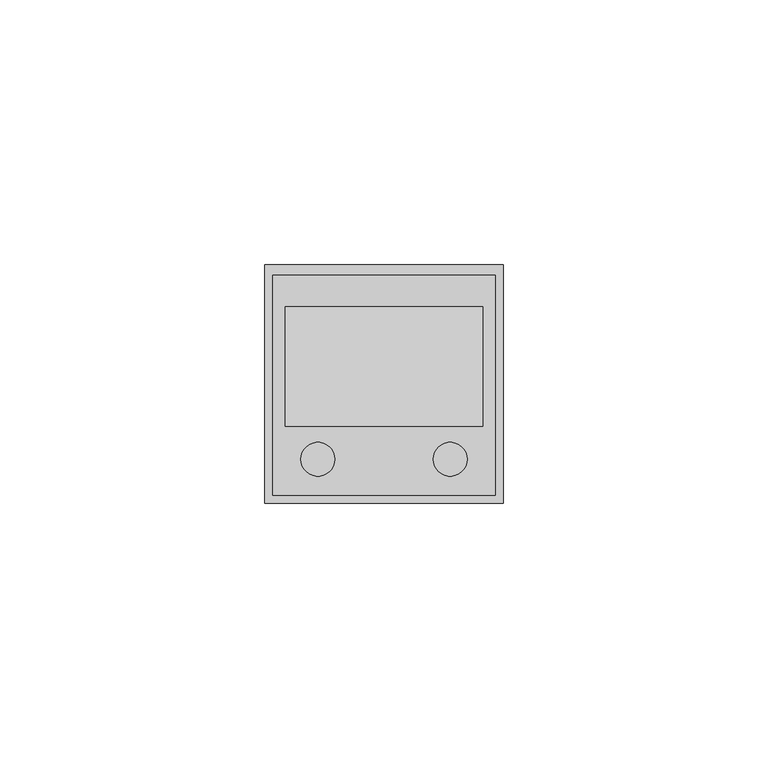
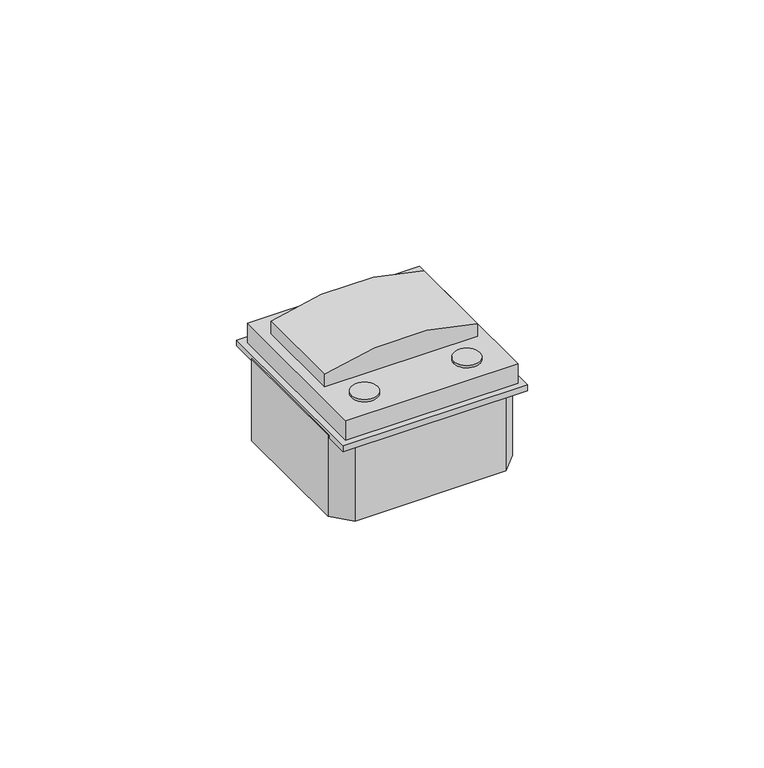
"""IFC4 building model written with IfcOpenShell, lengths in millimetres: proxy geometry."""

from ifc_helpers import new_model, si_unit, point, frame, frame_2d, origin, origin_with_axes, place, context, project, spatial, polyline, circle_curve, trimmed, segment, composite_curve, outline, extrude, source, transform, mapped, element, save


def electrical_fixtures_98c34628(model_context):
    return source(origin(), model_context, "Body", "SweptSolid", [
        extrude(outline(composite_curve([segment(trimmed(circle_curve(frame_2d((34.9989589, 8.2904451)), 3.1887621), [point((38.187721, 8.2904451))], [point((31.8101969, 8.2904451))], False, "CARTESIAN"), True, "CONTINUOUS"), segment(trimmed(circle_curve(frame_2d((34.9989589, 8.2904451)), 3.1887621), [point((31.8101969, 8.2904451))], [point((38.187721, 8.2904451))], False, "CARTESIAN"), True, "CONTINUOUS")], self_intersect=False)), frame((0.0, 0.0, 6.5625), z_axis=(0.0, 0.0, 1.0), x_axis=(1.0, 0.0, 0.0)), (0.0, 0.0, 1.0), 0.5996897),
        extrude(outline(composite_curve([segment(trimmed(circle_curve(frame_2d((10.0193645, 8.2904451)), 3.1887621), [point((6.8306025, 8.2904451))], [point((13.2081266, 8.2904451))], False, "CARTESIAN"), True, "CONTINUOUS"), segment(trimmed(circle_curve(frame_2d((10.0193645, 8.2904451)), 3.1887621), [point((13.2081266, 8.2904451))], [point((6.8306025, 8.2904451))], False, "CARTESIAN"), True, "CONTINUOUS")], self_intersect=False)), frame((0.0, 0.0, 6.5625), z_axis=(0.0, 0.0, 1.0), x_axis=(1.0, 0.0, 0.0)), (0.0, 0.0, 1.0), 0.5996897),
        extrude(outline(composite_curve([segment(polyline([(9.7831819, 3.8601293), (6.5625, 3.8601293), (6.5625, 41.1581942), (9.7920246, 41.1581942)]), True, "CONTINUOUS"), segment(trimmed(circle_curve(frame_2d((-48.1118317, 22.5228888)), 60.8287036), [point((9.7920246, 41.1581942))], [point((9.7831819, 3.8601293))], False, "CARTESIAN"), True, "CONTINUOUS")], self_intersect=False)), frame((0.0, 14.5056652, 0.0), z_axis=(0.0, 1.0, 0.0), x_axis=(0.0, 0.0, 1.0)), (0.0, 0.0, 1.0), 22.587068),
        extrude(outline(polyline([(1.5, 43.0), (43.5, 43.0), (43.5, 1.5), (1.5, 1.5), (1.5, 43.0)])), frame((0.0, 0.0, 1.5), z_axis=(0.0, 0.0, 1.0), x_axis=(1.0, 0.0, 0.0)), (0.0, 0.0, 1.0), 5.0625),
        extrude(outline(polyline([(40.9470004, 42.986037), (45.0, 38.5762696), (45.0, 6.4237304), (40.9470004, 2.013963), (4.0529996, 2.013963), (0.0, 6.4237304), (0.0, 38.5762696), (4.0529996, 42.986037), (40.9470004, 42.986037)])), frame((0.0, 0.0, -20.5252852), z_axis=(0.0, 0.0, 1.0), x_axis=(1.0, 0.0, 0.0)), (0.0, 0.0, 1.0), 21.0),
        extrude(outline(polyline([(0.0, 45.0), (45.0, 45.0), (45.0, 0.0), (0.0, 0.0), (0.0, 45.0)])), origin_with_axes(), (0.0, 0.0, 1.0), 1.5),
    ])


if __name__ == "__main__":
    model = new_model("IFC4")
    model_context = context("Model", 3, world=origin())
    ifc_project = project(units=[si_unit("LENGTHUNIT", "METRE", prefix="MILLI")], contexts=[model_context])
    site = spatial("IfcSite", under=ifc_project)
    building = spatial("IfcBuilding", under=site)
    placement = place(None, origin())
    electrical_fixtures_shape = electrical_fixtures_98c34628(model_context)
    element("IfcBuildingElementProxy", 1, Name="Electrical Fixtures", at=placement, inside=building, context=model_context, shape_type="MappedRepresentation", body=[
        mapped(electrical_fixtures_shape, transform((0.0, 0.0, 0.0), x_axis=(1.0, 0.0, 0.0), y_axis=(0.0, 1.0, 0.0), z_axis=(0.0, 0.0, 1.0))),
    ])
    save(model, "model.ifc")
